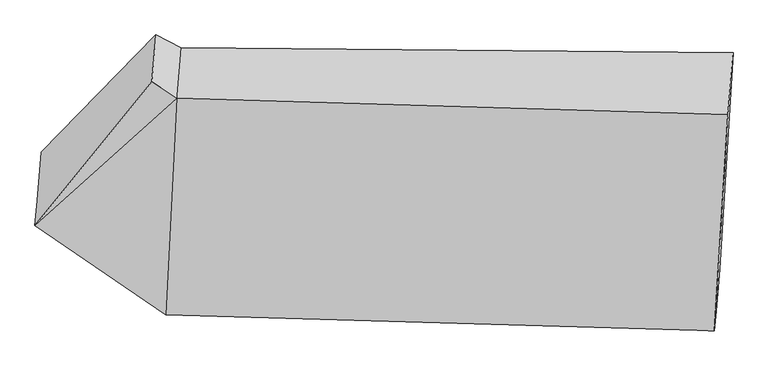
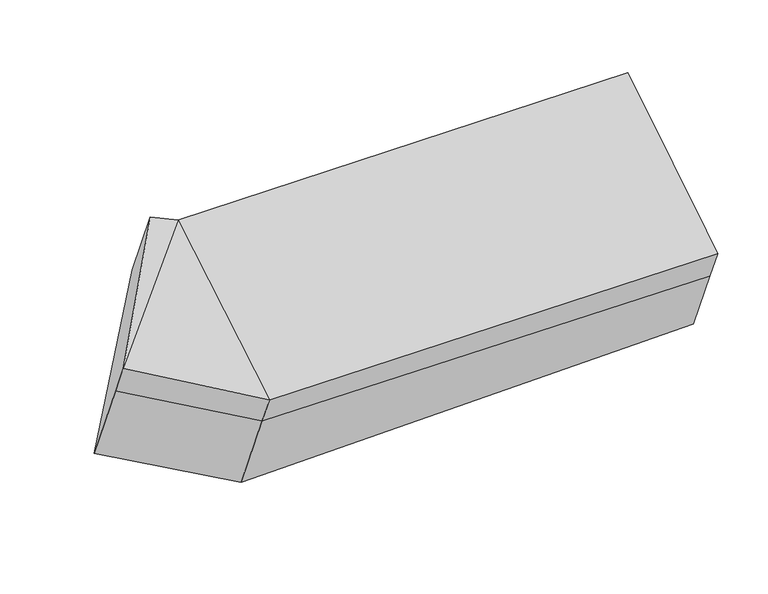
"""IFC4 building model written with IfcOpenShell, lengths in millimetres: proxy geometry."""

from ifc_helpers import new_model, si_unit, frame, origin, place, context, project, spatial, source, transform, mapped, element, save
from ifc_brep_helpers import plane_surface, spline_surface, advanced_brep


def generic_models_19c73296(model_context):
    return source(origin(), model_context, "Body", "AdvancedBrep", [
        advanced_brep(
        [(-1002.4044107, -1775.7456273, 2080.687381), (-996.8269113, -1709.4400995, 1938.1374674), (-550.3163378, -2018.0615828, 1833.6396701), (-555.6344887, -2081.2839655, 1969.5611459), (-602.6176158, -1283.142738, 2325.4585233), (-517.5709694, -1339.1510969, 2316.2454025), (-588.3573093, -1123.3491329, 1984.8980433), (-503.0809502, -1166.8931899, 1945.9090133), (-981.2061701, -1523.7401258, 1538.9020482), (-535.0105631, -1836.1059424, 1442.4541738), (1385.1544329, -1185.0832589, 1900.0185835), (1367.4272633, -1395.8245348, 2353.0901696), (1321.1399586, -2137.4498411, 2006.3202309), (1326.8126529, -2070.0126328, 1861.3373233), (1338.8671282, -1926.7085653, 1553.2486448)],
        [
            (0, 1),
            (1, 2),
            (2, 3),
            (3, 0),
            (4, 0),
            (0, 5),
            (5, 4),
            (6, 4),
            (5, 7),
            (7, 6),
            (8, 6),
            (7, 9),
            (9, 8),
            (1, 8),
            (9, 2),
            (10, 11),
            (11, 12),
            (12, 13),
            (13, 14),
            (14, 10),
            (3, 5),
            (5, 11),
            (10, 7),
            (3, 12),
            (2, 13),
            (9, 14),
        ],
        [
            plane_surface(frame((-999.615661, -1742.5928634, 2009.4124242), z_axis=(-0.5859770371273529, -0.72572547935958, -0.36049055544876174), x_axis=(0.03545433918386683, 0.4214825516376291, -0.9061431721853168))),
            plane_surface(frame((-802.5110133, -1529.4441827, 2203.0729521), z_axis=(-0.13213549499031663, -0.3530057812818491, 0.9262435583286157), x_axis=(-0.5879217571594516, -0.7244160136692847, -0.3599575622181673))),
            spline_surface(1, 1, [[(-588.3573093, -1123.3491329, 1984.8980433), (-503.0809502, -1166.8931899, 1945.9090133)], [(-602.6176158, -1283.142738, 2325.4585233), (-517.5709694, -1339.1510969, 2316.2454025)]], [2, 2], [2, 2], [0.0, 1.0], [0.0, 1.0]),
            spline_surface(1, 1, [[(-981.2061701, -1523.7401258, 1538.9020482), (-535.0105631, -1836.1059424, 1442.4541738)], [(-588.3573093, -1123.3491329, 1984.8980433), (-503.0809502, -1166.8931899, 1945.9090133)]], [2, 2], [2, 2], [0.0, 1.0], [0.0, 1.0]),
            plane_surface(frame((-989.0165407, -1616.5901127, 1738.5197578), z_axis=(-0.5859770371273441, -0.7257254793595599, -0.36049055544881653), x_axis=(0.035454339183976995, 0.4214825516376205, -0.9061431721853165))),
            plane_surface(frame((1353.1471958, -1661.26655, 1953.1694072), z_axis=(0.9977758369169436, -0.06614320022781993, 0.008273833955023523), x_axis=(-0.0354543391839863, -0.42148255163761955, 0.9061431721853166))),
            plane_surface(frame((-793.6463765, -1426.494406, 1982.4864989), z_axis=(-0.8081404564130994, 0.5455033435319336, 0.22211507131194141), x_axis=(-0.035454339183927784, -0.4214825516376239, 0.9061431721853168))),
            plane_surface(frame((-1002.4044107, -1775.7456273, 2080.687381), z_axis=(-0.06188439420591996, -0.41982349835897076, 0.9054935405508986), x_axis=(-0.046418925939513356, -0.9050400836994793, -0.42278567881594753))),
            plane_surface(frame((-510.3259598, -1253.0221434, 2131.0772079), z_axis=(0.01899326392127096, 0.9062652780352947, 0.422282490464887), x_axis=(-0.0354543391839863, -0.42148255163761955, 0.9061431721853166))),
            spline_surface(1, 1, [[(-517.5709694, -1339.1510969, 2316.2454025), (1367.4272633, -1395.8245348, 2353.0901696)], [(-555.6344887, -2081.2839655, 1969.5611459), (1321.1399586, -2137.4498411, 2006.3202309)]], [2, 2], [2, 2], [0.0, 1.0], [0.0, 1.0]),
            plane_surface(frame((-552.9754133, -2049.6727741, 1901.600408), z_axis=(-0.018850879252324933, -0.9062698548137981, -0.42227904826925977), x_axis=(0.0354543391839957, 0.4214825516376198, -0.9061431721853161))),
            plane_surface(frame((-542.6634505, -1927.0837626, 1638.0469219), z_axis=(-0.018850879252325353, -0.9062698548137982, -0.42227904826925977), x_axis=(0.03545433918397578, 0.42148255163762033, -0.9061431721853166))),
            spline_surface(1, 1, [[(-535.0105631, -1836.1059424, 1442.4541738), (1338.8671282, -1926.7085653, 1553.2486448)], [(-503.0809502, -1166.8931899, 1945.9090133), (1385.1544329, -1185.0832589, 1900.0185835)]], [2, 2], [2, 2], [0.0, 1.0], [0.0, 1.0]),
        ],
        [
            (0, [[1, 2, 3, 4]]),
            (1, [[5, 6, 7]]),
            (2, [[8, -7, 9, 10]]),
            (3, [[11, -10, 12, 13]]),
            (4, [[14, -13, 15, -2]]),
            (5, [[16, 17, 18, 19, 20]]),
            (6, [[-1, -5, -8, -11, -14]]),
            (7, [[21, -6, -4]]),
            (8, [[-9, 22, -16, 23]]),
            (9, [[-21, 24, -17, -22]]),
            (10, [[-3, 25, -18, -24]]),
            (11, [[-15, 26, -19, -25]]),
            (12, [[-12, -23, -20, -26]]),
        ],
    ),
    ])


if __name__ == "__main__":
    model = new_model("IFC4")
    model_context = context("Model", 3, world=origin())
    ifc_project = project(units=[si_unit("LENGTHUNIT", "METRE", prefix="MILLI")], contexts=[model_context])
    site = spatial("IfcSite", under=ifc_project)
    building = spatial("IfcBuilding", under=site)
    placement = place(None, origin())
    generic_models_shape = generic_models_19c73296(model_context)
    element("IfcBuildingElementProxy", 1, Name="Generic Models", at=placement, inside=building, context=model_context, shape_type="MappedRepresentation", body=[
        mapped(generic_models_shape, transform((0.0, 0.0, 0.0), x_axis=(1.0, 0.0, 0.0), y_axis=(0.0, 1.0, 0.0), z_axis=(0.0, 0.0, 1.0))),
    ])
    save(model, "model.ifc")
